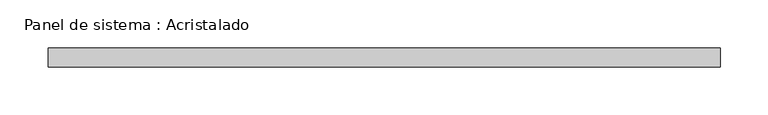
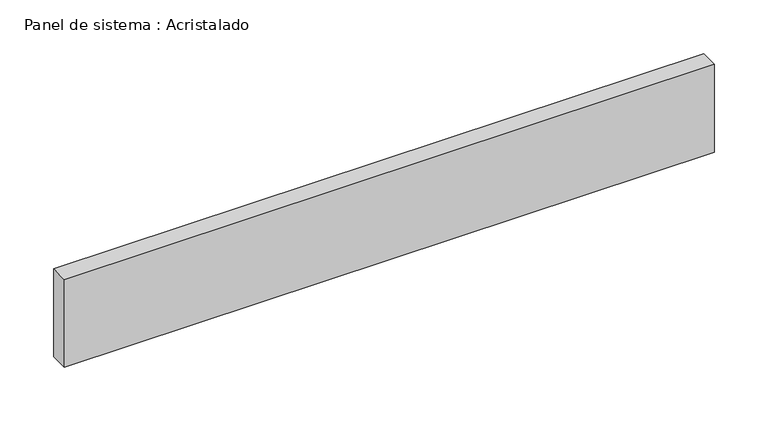
"""IFC4 building model written with IfcOpenShell, lengths in millimetres: plate geometry, Panel de sistema : Acristalado."""

import ifcopenshell
import ifcopenshell.guid

model = None  # the IFC model being written
_history = None  # IfcOwnerHistory: only IFC2X3 demands one
_inside = {}  # id of a spatial element -> (the spatial element, [elements in it])
_under = {}  # id of a project, library or spatial element -> (it, [spatial elements below it])
_declared = {}  # id of a project -> (the project, [libraries it declares])
_typed = {}  # id of a type object -> (the type object, [elements of that type])
_made_of = {}  # id of a material, layer set ... -> (it, [elements and type objects made of it])


def new_model(schema):
    """Start an empty IFC model of exactly this schema.

    Asked for "IFC4X3", IfcOpenShell would pick the latest addendum, in which some entities
    have other attributes; the version numbers below select the first issue.
    IFC2X3 requires an IfcOwnerHistory on every rooted entity: one is made here for all.
    """
    global model, _history
    if schema == "IFC4X3":
        model = ifcopenshell.file(schema_version=(4, 3, 0, 0))
    else:
        model = ifcopenshell.file(schema=schema)
    _inside.clear()
    _under.clear()
    _declared.clear()
    _typed.clear()
    _made_of.clear()
    _history = None
    if model.schema == "IFC2X3":
        org = make("IfcOrganization", Name="unknown")
        user = make(
            "IfcPersonAndOrganization",
            ThePerson=make("IfcPerson", FamilyName="unknown"),
            TheOrganization=org,
        )
        app = make(
            "IfcApplication",
            ApplicationDeveloper=org,
            Version="unknown",
            ApplicationFullName="unknown",
            ApplicationIdentifier="unknown",
        )
        _history = make(
            "IfcOwnerHistory",
            OwningUser=user,
            OwningApplication=app,
            ChangeAction="ADDED",
            CreationDate=0,
        )
    return model


def make(cls, **values):
    """One entity of the class cls with the attributes given. An attribute that is None is left unset."""
    return model.create_entity(
        cls, **{name: value for name, value in values.items() if value is not None}
    )


def rooted(cls, **values):
    """An entity with a GlobalId (a new one), such as an element, a storey or a relation."""
    return make(cls, GlobalId=ifcopenshell.guid.new(), OwnerHistory=_history, **values)


def si_unit(unit_type, name, prefix=None):
    """IfcSIUnit, for example si_unit("LENGTHUNIT", "METRE", prefix="MILLI")."""
    return make("IfcSIUnit", UnitType=unit_type, Prefix=prefix, Name=name)


def assignment(units):
    """IfcUnitAssignment: the units of a project."""
    return None if units is None else make("IfcUnitAssignment", Units=units)


def point(xyz):
    """IfcCartesianPoint."""
    return None if xyz is None else make("IfcCartesianPoint", Coordinates=xyz)


def direction(xyz):
    """IfcDirection."""
    return None if xyz is None else make("IfcDirection", DirectionRatios=xyz)


def frame(location, z_axis=None, x_axis=None):
    """IfcAxis2Placement3D, a coordinate frame: its origin and axes. An axis left out is left unset."""
    return make(
        "IfcAxis2Placement3D",
        Location=point(location),
        Axis=direction(z_axis),
        RefDirection=direction(x_axis),
    )


def origin():
    """The frame at (0, 0, 0) with its axes left unset."""
    return frame((0.0, 0.0, 0.0))


def origin_with_axes():
    """The frame at (0, 0, 0) with the z axis (0, 0, 1) and the x axis (1, 0, 0) written out."""
    return frame((0.0, 0.0, 0.0), z_axis=(0.0, 0.0, 1.0), x_axis=(1.0, 0.0, 0.0))


def place(relative_to, where):
    """IfcLocalPlacement: puts the frame where relative to a parent placement (None: the world)."""
    return make(
        "IfcLocalPlacement", PlacementRelTo=relative_to, RelativePlacement=where
    )


def context(
    kind, dimensions, precision=None, world=None, true_north=None, identifier=None
):
    """IfcGeometricRepresentationContext, for example the 3D "Model" context."""
    return make(
        "IfcGeometricRepresentationContext",
        ContextIdentifier=identifier,
        ContextType=kind,
        CoordinateSpaceDimension=dimensions,
        Precision=precision,
        WorldCoordinateSystem=world,
        TrueNorth=true_north,
    )


def project(units=None, contexts=None):
    """IfcProject with its units and contexts."""
    return rooted(
        "IfcProject",
        Name="project",
        RepresentationContexts=contexts,
        UnitsInContext=assignment(units),
    )


def spatial(cls, under=None, at=None, **own):
    """A site, building, storey or space (cls), placed at a placement, below another one or the project."""
    s = rooted(cls, ObjectPlacement=at, **own)
    if under is not None:
        _under.setdefault(under.id(), (under, []))[1].append(s)
    return s


def polyline(points):
    """IfcPolyline through the points."""
    return make("IfcPolyline", Points=[point(p) for p in points])


def outline(outer, holes=None, kind="AREA"):
    """IfcArbitraryClosedProfileDef: a profile drawn as a closed curve; with holes, ...WithVoids."""
    if holes is None:
        return make("IfcArbitraryClosedProfileDef", ProfileType=kind, OuterCurve=outer)
    return make(
        "IfcArbitraryProfileDefWithVoids",
        ProfileType=kind,
        OuterCurve=outer,
        InnerCurves=holes,
    )


def extrude(swept, where, along, depth):
    """IfcExtrudedAreaSolid: the profile swept, set in the frame where, extruded along a direction by depth."""
    return make(
        "IfcExtrudedAreaSolid",
        SweptArea=swept,
        Position=where,
        ExtrudedDirection=direction(along),
        Depth=depth,
    )


def shape(context_of_items, identifier, shape_type, items):
    """IfcShapeRepresentation: the items that make up one representation, for example the "Body"."""
    return make(
        "IfcShapeRepresentation",
        ContextOfItems=context_of_items,
        RepresentationIdentifier=identifier,
        RepresentationType=shape_type,
        Items=items,
    )


def source(mapping_origin, context_of_items, identifier, shape_type, items):
    """IfcRepresentationMap: a shape defined once, which mapped items show again and again."""
    return make(
        "IfcRepresentationMap",
        MappingOrigin=mapping_origin,
        MappedRepresentation=shape(context_of_items, identifier, shape_type, items),
    )


def transform(
    local_origin,
    x_axis=None,
    y_axis=None,
    z_axis=None,
    scale=None,
    scale2=None,
    scale3=None,
    uniform=True,
):
    """IfcCartesianTransformationOperator3D, or its non-uniform kind. x_axis, y_axis, z_axis: its Axis1, 2, 3."""
    if uniform:
        return make(
            "IfcCartesianTransformationOperator3D",
            Axis1=direction(x_axis),
            Axis2=direction(y_axis),
            LocalOrigin=point(local_origin),
            Scale=scale,
            Axis3=direction(z_axis),
        )
    return make(
        "IfcCartesianTransformationOperator3DnonUniform",
        Axis1=direction(x_axis),
        Axis2=direction(y_axis),
        LocalOrigin=point(local_origin),
        Scale=scale,
        Axis3=direction(z_axis),
        Scale2=scale2,
        Scale3=scale3,
    )


def mapped(mapping_source, mapping_target):
    """IfcMappedItem: shows the shape of a source again, moved by a transform."""
    return make(
        "IfcMappedItem", MappingSource=mapping_source, MappingTarget=mapping_target
    )


def made_of(thing, what):
    """Note that an element or type object is made of a material, layer set ...; save() writes the relation."""
    if what is not None:
        _made_of.setdefault(what.id(), (what, []))[1].append(thing)
    return thing


def element(
    cls,
    number,
    at=None,
    inside=None,
    cuts=None,
    type_object=None,
    material=None,
    context=None,
    identifier="Body",
    shape_type=None,
    held_by="IfcProductDefinitionShape",
    body=None,
    shapes=None,
    **own,
):
    """One element of the class cls, such as IfcWall. Its Tag is "e" and its number.

    at: its placement. inside: the storey or other place that contains it. cuts: it is an
    opening in that element (IfcRelVoidsElement). A single representation is given by context,
    identifier, shape_type and body (its items); several are given by shapes. held_by: the class
    of the entity that holds the representations. save() writes the other relations.
    """
    e = rooted(cls, Tag="e%d" % number, ObjectPlacement=at, **own)
    if body is not None:
        shapes = [shape(context, identifier, shape_type, body)]
    if shapes is not None:
        e.Representation = make(held_by, Representations=shapes)
    if inside is not None:
        _inside.setdefault(inside.id(), (inside, []))[1].append(e)
    if cuts is not None:
        rooted(
            "IfcRelVoidsElement", RelatingBuildingElement=cuts, RelatedOpeningElement=e
        )
    if type_object is not None:
        _typed.setdefault(type_object.id(), (type_object, []))[1].append(e)
    return made_of(e, material)


def aggregate(whole, parts):
    """IfcRelAggregates: a whole, such as a stair, and the parts it consists of."""
    return rooted("IfcRelAggregates", RelatingObject=whole, RelatedObjects=parts)


def save(model, path):
    """Write the relations noted so far, then the file.

    IfcRelAggregates (storeys below a building ...), IfcRelContainedInSpatialStructure (elements
    in a storey), IfcRelDefinesByType, IfcRelAssociatesMaterial and IfcRelDeclares: one each for
    every whole, place, type object, material and project.
    """
    for whole, parts in _under.values():
        aggregate(whole, parts)
    for where, things in _inside.values():
        rooted(
            "IfcRelContainedInSpatialStructure",
            RelatedElements=things,
            RelatingStructure=where,
        )
    for kind, things in _typed.values():
        rooted("IfcRelDefinesByType", RelatedObjects=things, RelatingType=kind)
    for what, things in _made_of.values():
        rooted("IfcRelAssociatesMaterial", RelatedObjects=things, RelatingMaterial=what)
    for by, libraries in _declared.values():
        rooted("IfcRelDeclares", RelatingContext=by, RelatedDefinitions=libraries)
    model.write(path)


def panel_de_sistema_acristalado_8102bc27(model_context):
    return source(origin(), model_context, "Body", "SweptSolid", [
        extrude(outline(polyline([(350.0, -10.0), (-350.0, -10.0), (-350.0, 10.0), (350.0, 10.0), (350.0, -10.0)])), origin_with_axes(), (0.0, 0.0, 1.0), 100.0),
    ])


if __name__ == "__main__":
    model = new_model("IFC4")
    model_context = context("Model", 3, world=origin())
    ifc_project = project(units=[si_unit("LENGTHUNIT", "METRE", prefix="MILLI")], contexts=[model_context])
    site = spatial("IfcSite", under=ifc_project)
    building = spatial("IfcBuilding", under=site)
    placement = place(None, origin())
    panel_de_sistema_acristalado_shape = panel_de_sistema_acristalado_8102bc27(model_context)
    element("IfcPlate", 1, ObjectType="Panel de sistema : Acristalado", at=placement, inside=building, context=model_context, shape_type="MappedRepresentation", body=[
        mapped(panel_de_sistema_acristalado_shape, transform((0.0, 0.0, 0.0), x_axis=(1.0, 0.0, 0.0), y_axis=(0.0, 1.0, 0.0), z_axis=(0.0, 0.0, 1.0))),
    ])
    save(model, "model.ifc")
